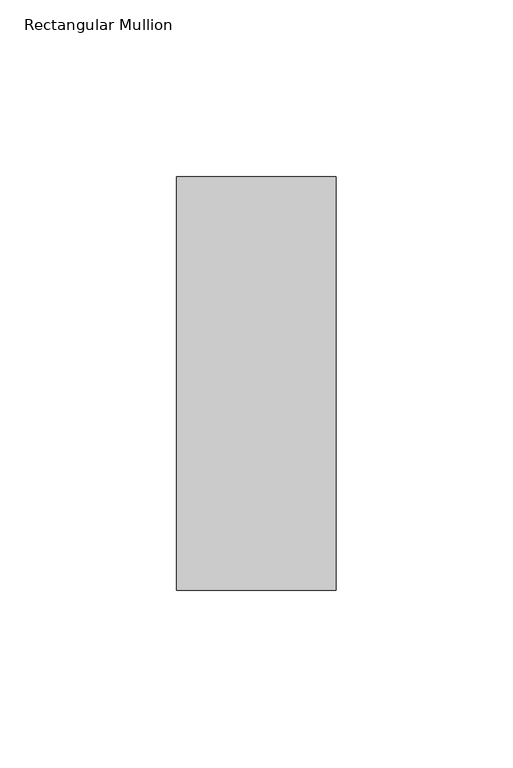
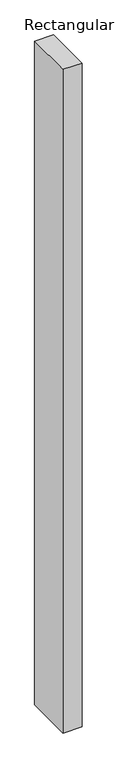
"""IFC4 building model written with IfcOpenShell, lengths in millimetres: member geometry, Rectangular Mullion."""

from ifc_helpers import new_model, si_unit, frame, origin, place, context, project, spatial, polyline, outline, extrude, source, transform, mapped, element, save


def rectangular_mullion_5b671cb1(model_context):
    return source(origin(), model_context, "Body", "SweptSolid", [
        extrude(outline(polyline([(0.0, 73.875), (0.0, -42.8257813), (-45.0453125, -42.8257813), (-45.0453125, 73.875), (0.0, 73.875)])), frame((0.0, 0.0, -1665.2701476), z_axis=(0.0, 0.0, 1.0), x_axis=(1.0, 0.0, 0.0)), (0.0, 0.0, 1.0), 1665.2701476),
    ])


if __name__ == "__main__":
    model = new_model("IFC4")
    model_context = context("Model", 3, world=origin())
    ifc_project = project(units=[si_unit("LENGTHUNIT", "METRE", prefix="MILLI")], contexts=[model_context])
    site = spatial("IfcSite", under=ifc_project)
    building = spatial("IfcBuilding", under=site)
    placement = place(None, origin())
    rectangular_mullion_shape = rectangular_mullion_5b671cb1(model_context)
    element("IfcMember", 1, ObjectType="Rectangular Mullion", at=placement, inside=building, context=model_context, shape_type="MappedRepresentation", body=[
        mapped(rectangular_mullion_shape, transform((0.0, 0.0, 0.0), x_axis=(1.0, 0.0, 0.0), y_axis=(0.0, 1.0, 0.0), z_axis=(0.0, 0.0, 1.0))),
    ])
    save(model, "model.ifc")
